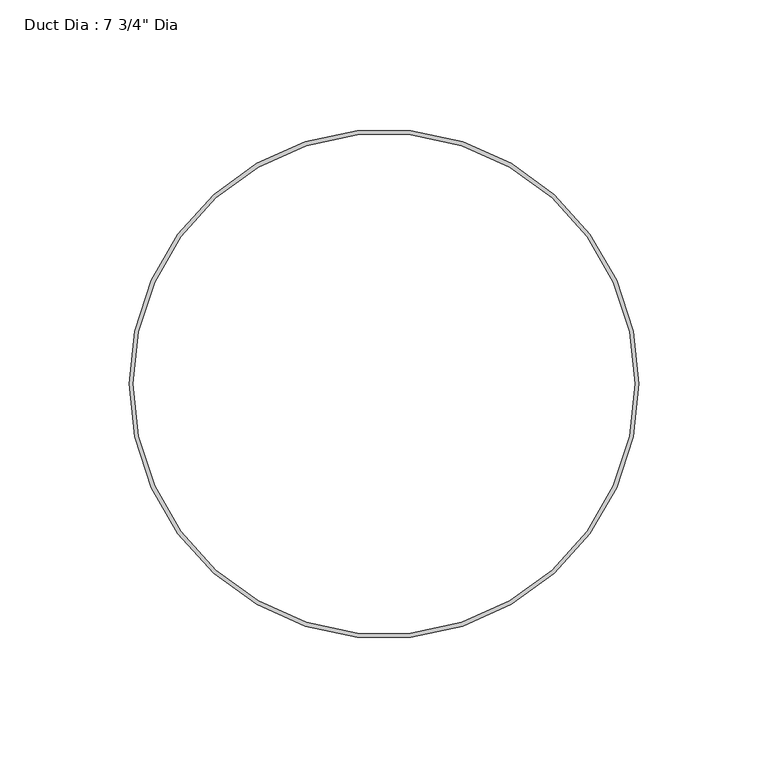
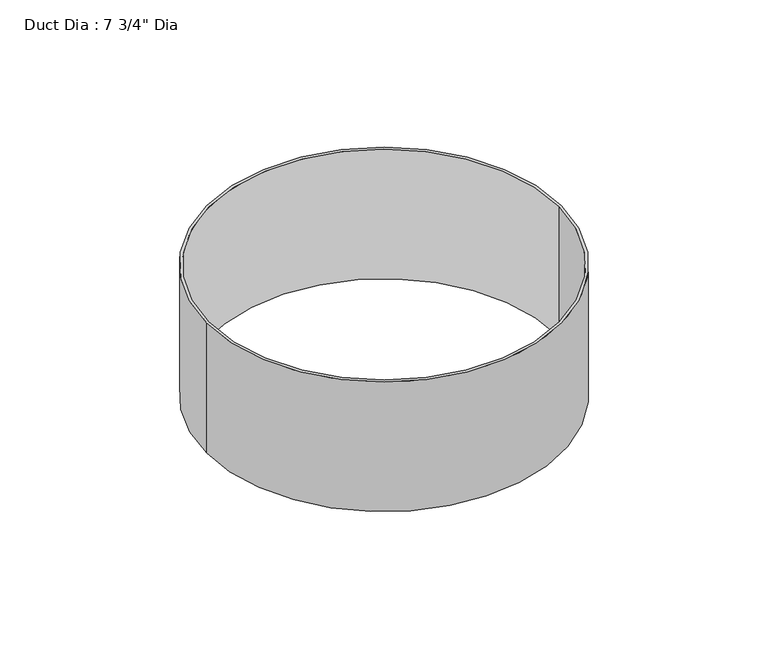
"""IFC4 building model written with IfcOpenShell, lengths in millimetres: proxy geometry."""

import ifcopenshell
import ifcopenshell.guid

model = None  # the IFC model being written
_history = None  # IfcOwnerHistory: only IFC2X3 demands one
_inside = {}  # id of a spatial element -> (the spatial element, [elements in it])
_under = {}  # id of a project, library or spatial element -> (it, [spatial elements below it])
_declared = {}  # id of a project -> (the project, [libraries it declares])
_typed = {}  # id of a type object -> (the type object, [elements of that type])
_made_of = {}  # id of a material, layer set ... -> (it, [elements and type objects made of it])


def new_model(schema):
    """Start an empty IFC model of exactly this schema.

    Asked for "IFC4X3", IfcOpenShell would pick the latest addendum, in which some entities
    have other attributes; the version numbers below select the first issue.
    IFC2X3 requires an IfcOwnerHistory on every rooted entity: one is made here for all.
    """
    global model, _history
    if schema == "IFC4X3":
        model = ifcopenshell.file(schema_version=(4, 3, 0, 0))
    else:
        model = ifcopenshell.file(schema=schema)
    _inside.clear()
    _under.clear()
    _declared.clear()
    _typed.clear()
    _made_of.clear()
    _history = None
    if model.schema == "IFC2X3":
        org = make("IfcOrganization", Name="unknown")
        user = make(
            "IfcPersonAndOrganization",
            ThePerson=make("IfcPerson", FamilyName="unknown"),
            TheOrganization=org,
        )
        app = make(
            "IfcApplication",
            ApplicationDeveloper=org,
            Version="unknown",
            ApplicationFullName="unknown",
            ApplicationIdentifier="unknown",
        )
        _history = make(
            "IfcOwnerHistory",
            OwningUser=user,
            OwningApplication=app,
            ChangeAction="ADDED",
            CreationDate=0,
        )
    return model


def make(cls, **values):
    """One entity of the class cls with the attributes given. An attribute that is None is left unset."""
    return model.create_entity(
        cls, **{name: value for name, value in values.items() if value is not None}
    )


def rooted(cls, **values):
    """An entity with a GlobalId (a new one), such as an element, a storey or a relation."""
    return make(cls, GlobalId=ifcopenshell.guid.new(), OwnerHistory=_history, **values)


def si_unit(unit_type, name, prefix=None):
    """IfcSIUnit, for example si_unit("LENGTHUNIT", "METRE", prefix="MILLI")."""
    return make("IfcSIUnit", UnitType=unit_type, Prefix=prefix, Name=name)


def assignment(units):
    """IfcUnitAssignment: the units of a project."""
    return None if units is None else make("IfcUnitAssignment", Units=units)


def point(xyz):
    """IfcCartesianPoint."""
    return None if xyz is None else make("IfcCartesianPoint", Coordinates=xyz)


def direction(xyz):
    """IfcDirection."""
    return None if xyz is None else make("IfcDirection", DirectionRatios=xyz)


def frame(location, z_axis=None, x_axis=None):
    """IfcAxis2Placement3D, a coordinate frame: its origin and axes. An axis left out is left unset."""
    return make(
        "IfcAxis2Placement3D",
        Location=point(location),
        Axis=direction(z_axis),
        RefDirection=direction(x_axis),
    )


def frame_2d(location, x_axis=None):
    """IfcAxis2Placement2D, a coordinate frame in the plane: its origin and x axis."""
    return make(
        "IfcAxis2Placement2D", Location=point(location), RefDirection=direction(x_axis)
    )


def origin():
    """The frame at (0, 0, 0) with its axes left unset."""
    return frame((0.0, 0.0, 0.0))


def origin_with_axes():
    """The frame at (0, 0, 0) with the z axis (0, 0, 1) and the x axis (1, 0, 0) written out."""
    return frame((0.0, 0.0, 0.0), z_axis=(0.0, 0.0, 1.0), x_axis=(1.0, 0.0, 0.0))


def origin_2d():
    """The frame at (0, 0) in the plane with its x axis left unset."""
    return frame_2d((0.0, 0.0))


def place(relative_to, where):
    """IfcLocalPlacement: puts the frame where relative to a parent placement (None: the world)."""
    return make(
        "IfcLocalPlacement", PlacementRelTo=relative_to, RelativePlacement=where
    )


def context(
    kind, dimensions, precision=None, world=None, true_north=None, identifier=None
):
    """IfcGeometricRepresentationContext, for example the 3D "Model" context."""
    return make(
        "IfcGeometricRepresentationContext",
        ContextIdentifier=identifier,
        ContextType=kind,
        CoordinateSpaceDimension=dimensions,
        Precision=precision,
        WorldCoordinateSystem=world,
        TrueNorth=true_north,
    )


def project(units=None, contexts=None):
    """IfcProject with its units and contexts."""
    return rooted(
        "IfcProject",
        Name="project",
        RepresentationContexts=contexts,
        UnitsInContext=assignment(units),
    )


def spatial(cls, under=None, at=None, **own):
    """A site, building, storey or space (cls), placed at a placement, below another one or the project."""
    s = rooted(cls, ObjectPlacement=at, **own)
    if under is not None:
        _under.setdefault(under.id(), (under, []))[1].append(s)
    return s


def circle_curve(where, radius):
    """IfcCircle in the frame where."""
    return make("IfcCircle", Position=where, Radius=radius)


def trimmed(basis, trim1, trim2, sense, master):
    """IfcTrimmedCurve: the piece of a basis curve between two trims."""
    return make(
        "IfcTrimmedCurve",
        BasisCurve=basis,
        Trim1=trim1,
        Trim2=trim2,
        SenseAgreement=sense,
        MasterRepresentation=master,
    )


def segment(curve, same_sense, transition):
    """IfcCompositeCurveSegment."""
    return make(
        "IfcCompositeCurveSegment",
        Transition=transition,
        SameSense=same_sense,
        ParentCurve=curve,
    )


def composite_curve(segments, self_intersect=None):
    """IfcCompositeCurve: segments joined end to end."""
    return make("IfcCompositeCurve", Segments=segments, SelfIntersect=self_intersect)


def outline(outer, holes=None, kind="AREA"):
    """IfcArbitraryClosedProfileDef: a profile drawn as a closed curve; with holes, ...WithVoids."""
    if holes is None:
        return make("IfcArbitraryClosedProfileDef", ProfileType=kind, OuterCurve=outer)
    return make(
        "IfcArbitraryProfileDefWithVoids",
        ProfileType=kind,
        OuterCurve=outer,
        InnerCurves=holes,
    )


def extrude(swept, where, along, depth):
    """IfcExtrudedAreaSolid: the profile swept, set in the frame where, extruded along a direction by depth."""
    return make(
        "IfcExtrudedAreaSolid",
        SweptArea=swept,
        Position=where,
        ExtrudedDirection=direction(along),
        Depth=depth,
    )


def shape(context_of_items, identifier, shape_type, items):
    """IfcShapeRepresentation: the items that make up one representation, for example the "Body"."""
    return make(
        "IfcShapeRepresentation",
        ContextOfItems=context_of_items,
        RepresentationIdentifier=identifier,
        RepresentationType=shape_type,
        Items=items,
    )


def source(mapping_origin, context_of_items, identifier, shape_type, items):
    """IfcRepresentationMap: a shape defined once, which mapped items show again and again."""
    return make(
        "IfcRepresentationMap",
        MappingOrigin=mapping_origin,
        MappedRepresentation=shape(context_of_items, identifier, shape_type, items),
    )


def transform(
    local_origin,
    x_axis=None,
    y_axis=None,
    z_axis=None,
    scale=None,
    scale2=None,
    scale3=None,
    uniform=True,
):
    """IfcCartesianTransformationOperator3D, or its non-uniform kind. x_axis, y_axis, z_axis: its Axis1, 2, 3."""
    if uniform:
        return make(
            "IfcCartesianTransformationOperator3D",
            Axis1=direction(x_axis),
            Axis2=direction(y_axis),
            LocalOrigin=point(local_origin),
            Scale=scale,
            Axis3=direction(z_axis),
        )
    return make(
        "IfcCartesianTransformationOperator3DnonUniform",
        Axis1=direction(x_axis),
        Axis2=direction(y_axis),
        LocalOrigin=point(local_origin),
        Scale=scale,
        Axis3=direction(z_axis),
        Scale2=scale2,
        Scale3=scale3,
    )


def mapped(mapping_source, mapping_target):
    """IfcMappedItem: shows the shape of a source again, moved by a transform."""
    return make(
        "IfcMappedItem", MappingSource=mapping_source, MappingTarget=mapping_target
    )


def made_of(thing, what):
    """Note that an element or type object is made of a material, layer set ...; save() writes the relation."""
    if what is not None:
        _made_of.setdefault(what.id(), (what, []))[1].append(thing)
    return thing


def element(
    cls,
    number,
    at=None,
    inside=None,
    cuts=None,
    type_object=None,
    material=None,
    context=None,
    identifier="Body",
    shape_type=None,
    held_by="IfcProductDefinitionShape",
    body=None,
    shapes=None,
    **own,
):
    """One element of the class cls, such as IfcWall. Its Tag is "e" and its number.

    at: its placement. inside: the storey or other place that contains it. cuts: it is an
    opening in that element (IfcRelVoidsElement). A single representation is given by context,
    identifier, shape_type and body (its items); several are given by shapes. held_by: the class
    of the entity that holds the representations. save() writes the other relations.
    """
    e = rooted(cls, Tag="e%d" % number, ObjectPlacement=at, **own)
    if body is not None:
        shapes = [shape(context, identifier, shape_type, body)]
    if shapes is not None:
        e.Representation = make(held_by, Representations=shapes)
    if inside is not None:
        _inside.setdefault(inside.id(), (inside, []))[1].append(e)
    if cuts is not None:
        rooted(
            "IfcRelVoidsElement", RelatingBuildingElement=cuts, RelatedOpeningElement=e
        )
    if type_object is not None:
        _typed.setdefault(type_object.id(), (type_object, []))[1].append(e)
    return made_of(e, material)


def aggregate(whole, parts):
    """IfcRelAggregates: a whole, such as a stair, and the parts it consists of."""
    return rooted("IfcRelAggregates", RelatingObject=whole, RelatedObjects=parts)


def save(model, path):
    """Write the relations noted so far, then the file.

    IfcRelAggregates (storeys below a building ...), IfcRelContainedInSpatialStructure (elements
    in a storey), IfcRelDefinesByType, IfcRelAssociatesMaterial and IfcRelDeclares: one each for
    every whole, place, type object, material and project.
    """
    for whole, parts in _under.values():
        aggregate(whole, parts)
    for where, things in _inside.values():
        rooted(
            "IfcRelContainedInSpatialStructure",
            RelatedElements=things,
            RelatingStructure=where,
        )
    for kind, things in _typed.values():
        rooted("IfcRelDefinesByType", RelatedObjects=things, RelatingType=kind)
    for what, things in _made_of.values():
        rooted("IfcRelAssociatesMaterial", RelatedObjects=things, RelatingMaterial=what)
    for by, libraries in _declared.values():
        rooted("IfcRelDeclares", RelatingContext=by, RelatedDefinitions=libraries)
    model.write(path)


def proxy_fb1aceb7(model_context):
    return source(origin(), model_context, "Body", "SweptSolid", [
        extrude(outline(composite_curve([segment(trimmed(circle_curve(origin_2d(), 98.425), [point((-98.425, 0.0))], [point((98.425, 0.0))], False, "CARTESIAN"), True, "CONTINUOUS"), segment(trimmed(circle_curve(origin_2d(), 98.425), [point((98.425, 0.0))], [point((-98.425, 0.0))], False, "CARTESIAN"), True, "CONTINUOUS")], self_intersect=False), holes=[composite_curve([segment(trimmed(circle_curve(origin_2d(), 96.8375), [point((-96.8375, 0.0))], [point((96.8375, 0.0))], True, "CARTESIAN"), True, "CONTINUOUS"), segment(trimmed(circle_curve(origin_2d(), 96.8375), [point((96.8375, 0.0))], [point((-96.8375, 0.0))], True, "CARTESIAN"), True, "CONTINUOUS")], self_intersect=False)]), origin_with_axes(), (0.0, 0.0, 1.0), 76.2),
    ])


if __name__ == "__main__":
    model = new_model("IFC4")
    model_context = context("Model", 3, world=origin())
    ifc_project = project(units=[si_unit("LENGTHUNIT", "METRE", prefix="MILLI")], contexts=[model_context])
    site = spatial("IfcSite", under=ifc_project)
    building = spatial("IfcBuilding", under=site)
    placement = place(None, origin())
    proxy_shape = proxy_fb1aceb7(model_context)
    element("IfcBuildingElementProxy", 1, Name="Duct Dia : 7 3/4\" Dia", ObjectType="Duct Dia : 7 3/4\" Dia", at=placement, inside=building, context=model_context, shape_type="MappedRepresentation", body=[
        mapped(proxy_shape, transform((0.0, 0.0, 0.0), x_axis=(1.0, 0.0, 0.0), y_axis=(0.0, 1.0, 0.0), z_axis=(0.0, 0.0, 1.0))),
    ])
    save(model, "model.ifc")
